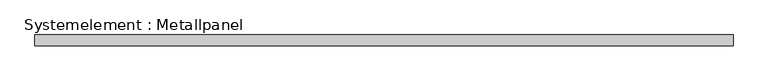
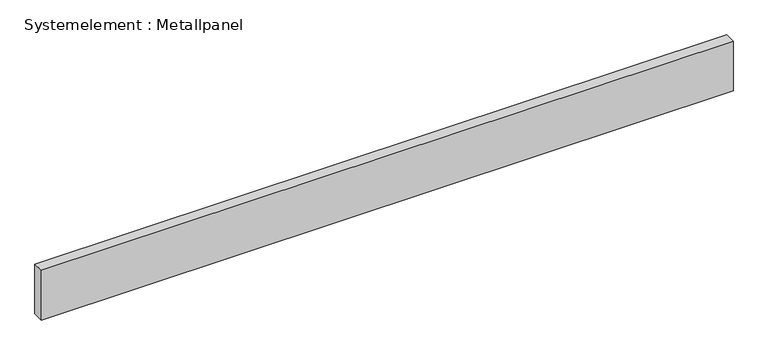
"""IFC4 building model written with IfcOpenShell, lengths in millimetres: plate geometry, Systemelement : Metallpanel."""

from ifc_helpers import new_model, si_unit, origin, origin_with_axes, place, context, project, spatial, polyline, outline, extrude, source, transform, mapped, element, save


def systemelement_metallpanel_d915f0b3(model_context):
    return source(origin(), model_context, "Body", "SweptSolid", [
        extrude(outline(polyline([(953.2094797, -15.0), (-953.2094797, -15.0), (-953.2094797, 15.0), (953.2094797, 15.0), (953.2094797, -15.0)])), origin_with_axes(), (0.0, 0.0, 1.0), 145.0),
    ])


if __name__ == "__main__":
    model = new_model("IFC4")
    model_context = context("Model", 3, world=origin())
    ifc_project = project(units=[si_unit("LENGTHUNIT", "METRE", prefix="MILLI")], contexts=[model_context])
    site = spatial("IfcSite", under=ifc_project)
    building = spatial("IfcBuilding", under=site)
    placement = place(None, origin())
    systemelement_metallpanel_shape = systemelement_metallpanel_d915f0b3(model_context)
    element("IfcPlate", 1, ObjectType="Systemelement : Metallpanel", at=placement, inside=building, context=model_context, shape_type="MappedRepresentation", body=[
        mapped(systemelement_metallpanel_shape, transform((0.0, 0.0, 0.0), x_axis=(1.0, 0.0, 0.0), y_axis=(0.0, 1.0, 0.0), z_axis=(0.0, 0.0, 1.0))),
    ])
    save(model, "model.ifc")
